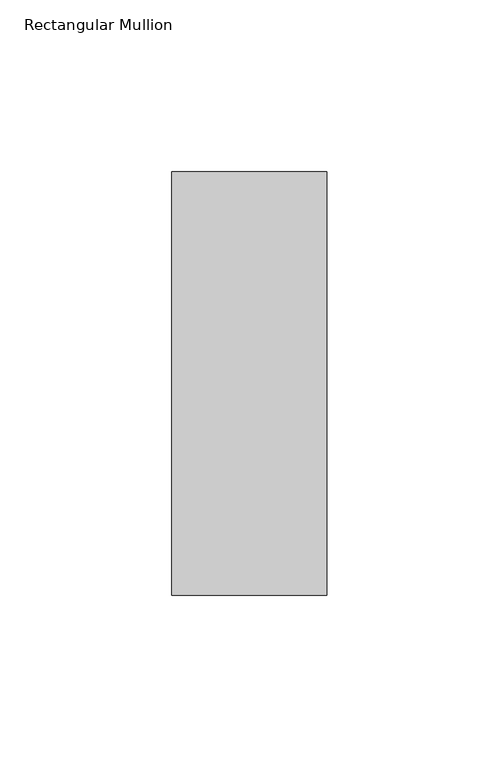
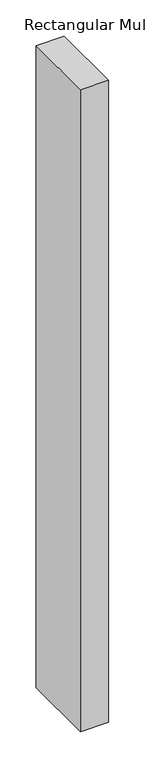
"""IFC4 building model written with IfcOpenShell, lengths in millimetres: member geometry, Rectangular Mullion."""

from ifc_helpers import new_model, si_unit, frame, origin, place, context, project, spatial, polyline, outline, extrude, source, transform, mapped, element, save


def rectangular_mullion_912c22ca(model_context):
    return source(origin(), model_context, "Body", "SweptSolid", [
        extrude(outline(polyline([(22.5, 77.05), (22.5, -46.05), (-22.5, -46.05), (-22.5, 77.05), (22.5, 77.05)])), frame((0.0, 0.0, -1083.1128906), z_axis=(0.0, 0.0, 1.0), x_axis=(1.0, 0.0, 0.0)), (0.0, 0.0, 1.0), 1083.1128906),
    ])


if __name__ == "__main__":
    model = new_model("IFC4")
    model_context = context("Model", 3, world=origin())
    ifc_project = project(units=[si_unit("LENGTHUNIT", "METRE", prefix="MILLI")], contexts=[model_context])
    site = spatial("IfcSite", under=ifc_project)
    building = spatial("IfcBuilding", under=site)
    placement = place(None, origin())
    rectangular_mullion_shape = rectangular_mullion_912c22ca(model_context)
    element("IfcMember", 1, ObjectType="Rectangular Mullion", at=placement, inside=building, context=model_context, shape_type="MappedRepresentation", body=[
        mapped(rectangular_mullion_shape, transform((0.0, 0.0, 0.0), x_axis=(1.0, 0.0, 0.0), y_axis=(0.0, 1.0, 0.0), z_axis=(0.0, 0.0, 1.0))),
    ])
    save(model, "model.ifc")
